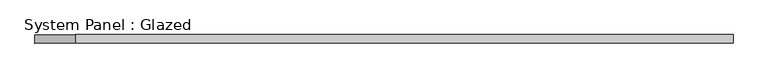
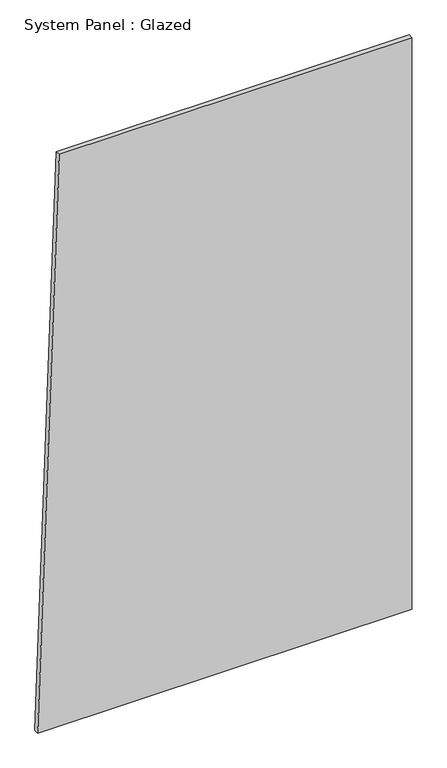
"""IFC4 building model written with IfcOpenShell, lengths in millimetres: plate geometry, System Panel : Glazed."""

from ifc_helpers import new_model, si_unit, frame, origin, place, context, project, spatial, polyline, outline, extrude, source, transform, mapped, element, save


def system_panel_glazed_93e192a9(model_context):
    return source(origin(), model_context, "Body", "SweptSolid", [
        extrude(outline(polyline([(0.0, -1032.4404988), (0.0, 1032.4404988), (3334.8902684, 1032.4404988), (3334.8902684, -913.7815503), (0.0, -1032.4404988)])), frame((0.0, -49.5, 0.0), z_axis=(0.0, 1.0, 0.0), x_axis=(0.0, 0.0, 1.0)), (0.0, 0.0, 1.0), 25.0),
    ])


if __name__ == "__main__":
    model = new_model("IFC4")
    model_context = context("Model", 3, world=origin())
    ifc_project = project(units=[si_unit("LENGTHUNIT", "METRE", prefix="MILLI")], contexts=[model_context])
    site = spatial("IfcSite", under=ifc_project)
    building = spatial("IfcBuilding", under=site)
    placement = place(None, origin())
    system_panel_glazed_shape = system_panel_glazed_93e192a9(model_context)
    element("IfcPlate", 1, ObjectType="System Panel : Glazed", at=placement, inside=building, context=model_context, shape_type="MappedRepresentation", body=[
        mapped(system_panel_glazed_shape, transform((0.0, 0.0, 0.0), x_axis=(1.0, 0.0, 0.0), y_axis=(0.0, 1.0, 0.0), z_axis=(0.0, 0.0, 1.0))),
    ])
    save(model, "model.ifc")
